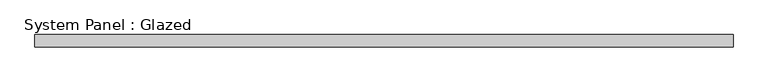
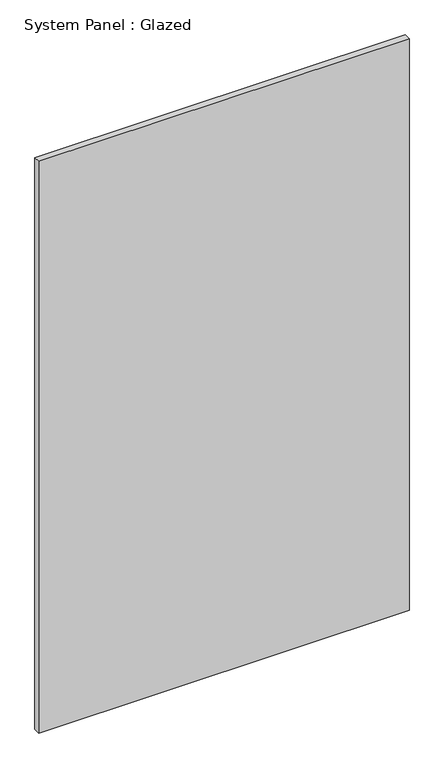
"""IFC4 building model written with IfcOpenShell, lengths in millimetres: plate geometry, System Panel : Glazed."""

import ifcopenshell
import ifcopenshell.guid

model = None  # the IFC model being written
_history = None  # IfcOwnerHistory: only IFC2X3 demands one
_inside = {}  # id of a spatial element -> (the spatial element, [elements in it])
_under = {}  # id of a project, library or spatial element -> (it, [spatial elements below it])
_declared = {}  # id of a project -> (the project, [libraries it declares])
_typed = {}  # id of a type object -> (the type object, [elements of that type])
_made_of = {}  # id of a material, layer set ... -> (it, [elements and type objects made of it])


def new_model(schema):
    """Start an empty IFC model of exactly this schema.

    Asked for "IFC4X3", IfcOpenShell would pick the latest addendum, in which some entities
    have other attributes; the version numbers below select the first issue.
    IFC2X3 requires an IfcOwnerHistory on every rooted entity: one is made here for all.
    """
    global model, _history
    if schema == "IFC4X3":
        model = ifcopenshell.file(schema_version=(4, 3, 0, 0))
    else:
        model = ifcopenshell.file(schema=schema)
    _inside.clear()
    _under.clear()
    _declared.clear()
    _typed.clear()
    _made_of.clear()
    _history = None
    if model.schema == "IFC2X3":
        org = make("IfcOrganization", Name="unknown")
        user = make(
            "IfcPersonAndOrganization",
            ThePerson=make("IfcPerson", FamilyName="unknown"),
            TheOrganization=org,
        )
        app = make(
            "IfcApplication",
            ApplicationDeveloper=org,
            Version="unknown",
            ApplicationFullName="unknown",
            ApplicationIdentifier="unknown",
        )
        _history = make(
            "IfcOwnerHistory",
            OwningUser=user,
            OwningApplication=app,
            ChangeAction="ADDED",
            CreationDate=0,
        )
    return model


def make(cls, **values):
    """One entity of the class cls with the attributes given. An attribute that is None is left unset."""
    return model.create_entity(
        cls, **{name: value for name, value in values.items() if value is not None}
    )


def rooted(cls, **values):
    """An entity with a GlobalId (a new one), such as an element, a storey or a relation."""
    return make(cls, GlobalId=ifcopenshell.guid.new(), OwnerHistory=_history, **values)


def si_unit(unit_type, name, prefix=None):
    """IfcSIUnit, for example si_unit("LENGTHUNIT", "METRE", prefix="MILLI")."""
    return make("IfcSIUnit", UnitType=unit_type, Prefix=prefix, Name=name)


def assignment(units):
    """IfcUnitAssignment: the units of a project."""
    return None if units is None else make("IfcUnitAssignment", Units=units)


def point(xyz):
    """IfcCartesianPoint."""
    return None if xyz is None else make("IfcCartesianPoint", Coordinates=xyz)


def direction(xyz):
    """IfcDirection."""
    return None if xyz is None else make("IfcDirection", DirectionRatios=xyz)


def frame(location, z_axis=None, x_axis=None):
    """IfcAxis2Placement3D, a coordinate frame: its origin and axes. An axis left out is left unset."""
    return make(
        "IfcAxis2Placement3D",
        Location=point(location),
        Axis=direction(z_axis),
        RefDirection=direction(x_axis),
    )


def origin():
    """The frame at (0, 0, 0) with its axes left unset."""
    return frame((0.0, 0.0, 0.0))


def origin_with_axes():
    """The frame at (0, 0, 0) with the z axis (0, 0, 1) and the x axis (1, 0, 0) written out."""
    return frame((0.0, 0.0, 0.0), z_axis=(0.0, 0.0, 1.0), x_axis=(1.0, 0.0, 0.0))


def place(relative_to, where):
    """IfcLocalPlacement: puts the frame where relative to a parent placement (None: the world)."""
    return make(
        "IfcLocalPlacement", PlacementRelTo=relative_to, RelativePlacement=where
    )


def context(
    kind, dimensions, precision=None, world=None, true_north=None, identifier=None
):
    """IfcGeometricRepresentationContext, for example the 3D "Model" context."""
    return make(
        "IfcGeometricRepresentationContext",
        ContextIdentifier=identifier,
        ContextType=kind,
        CoordinateSpaceDimension=dimensions,
        Precision=precision,
        WorldCoordinateSystem=world,
        TrueNorth=true_north,
    )


def project(units=None, contexts=None):
    """IfcProject with its units and contexts."""
    return rooted(
        "IfcProject",
        Name="project",
        RepresentationContexts=contexts,
        UnitsInContext=assignment(units),
    )


def spatial(cls, under=None, at=None, **own):
    """A site, building, storey or space (cls), placed at a placement, below another one or the project."""
    s = rooted(cls, ObjectPlacement=at, **own)
    if under is not None:
        _under.setdefault(under.id(), (under, []))[1].append(s)
    return s


def polyline(points):
    """IfcPolyline through the points."""
    return make("IfcPolyline", Points=[point(p) for p in points])


def outline(outer, holes=None, kind="AREA"):
    """IfcArbitraryClosedProfileDef: a profile drawn as a closed curve; with holes, ...WithVoids."""
    if holes is None:
        return make("IfcArbitraryClosedProfileDef", ProfileType=kind, OuterCurve=outer)
    return make(
        "IfcArbitraryProfileDefWithVoids",
        ProfileType=kind,
        OuterCurve=outer,
        InnerCurves=holes,
    )


def extrude(swept, where, along, depth):
    """IfcExtrudedAreaSolid: the profile swept, set in the frame where, extruded along a direction by depth."""
    return make(
        "IfcExtrudedAreaSolid",
        SweptArea=swept,
        Position=where,
        ExtrudedDirection=direction(along),
        Depth=depth,
    )


def shape(context_of_items, identifier, shape_type, items):
    """IfcShapeRepresentation: the items that make up one representation, for example the "Body"."""
    return make(
        "IfcShapeRepresentation",
        ContextOfItems=context_of_items,
        RepresentationIdentifier=identifier,
        RepresentationType=shape_type,
        Items=items,
    )


def source(mapping_origin, context_of_items, identifier, shape_type, items):
    """IfcRepresentationMap: a shape defined once, which mapped items show again and again."""
    return make(
        "IfcRepresentationMap",
        MappingOrigin=mapping_origin,
        MappedRepresentation=shape(context_of_items, identifier, shape_type, items),
    )


def transform(
    local_origin,
    x_axis=None,
    y_axis=None,
    z_axis=None,
    scale=None,
    scale2=None,
    scale3=None,
    uniform=True,
):
    """IfcCartesianTransformationOperator3D, or its non-uniform kind. x_axis, y_axis, z_axis: its Axis1, 2, 3."""
    if uniform:
        return make(
            "IfcCartesianTransformationOperator3D",
            Axis1=direction(x_axis),
            Axis2=direction(y_axis),
            LocalOrigin=point(local_origin),
            Scale=scale,
            Axis3=direction(z_axis),
        )
    return make(
        "IfcCartesianTransformationOperator3DnonUniform",
        Axis1=direction(x_axis),
        Axis2=direction(y_axis),
        LocalOrigin=point(local_origin),
        Scale=scale,
        Axis3=direction(z_axis),
        Scale2=scale2,
        Scale3=scale3,
    )


def mapped(mapping_source, mapping_target):
    """IfcMappedItem: shows the shape of a source again, moved by a transform."""
    return make(
        "IfcMappedItem", MappingSource=mapping_source, MappingTarget=mapping_target
    )


def made_of(thing, what):
    """Note that an element or type object is made of a material, layer set ...; save() writes the relation."""
    if what is not None:
        _made_of.setdefault(what.id(), (what, []))[1].append(thing)
    return thing


def element(
    cls,
    number,
    at=None,
    inside=None,
    cuts=None,
    type_object=None,
    material=None,
    context=None,
    identifier="Body",
    shape_type=None,
    held_by="IfcProductDefinitionShape",
    body=None,
    shapes=None,
    **own,
):
    """One element of the class cls, such as IfcWall. Its Tag is "e" and its number.

    at: its placement. inside: the storey or other place that contains it. cuts: it is an
    opening in that element (IfcRelVoidsElement). A single representation is given by context,
    identifier, shape_type and body (its items); several are given by shapes. held_by: the class
    of the entity that holds the representations. save() writes the other relations.
    """
    e = rooted(cls, Tag="e%d" % number, ObjectPlacement=at, **own)
    if body is not None:
        shapes = [shape(context, identifier, shape_type, body)]
    if shapes is not None:
        e.Representation = make(held_by, Representations=shapes)
    if inside is not None:
        _inside.setdefault(inside.id(), (inside, []))[1].append(e)
    if cuts is not None:
        rooted(
            "IfcRelVoidsElement", RelatingBuildingElement=cuts, RelatedOpeningElement=e
        )
    if type_object is not None:
        _typed.setdefault(type_object.id(), (type_object, []))[1].append(e)
    return made_of(e, material)


def aggregate(whole, parts):
    """IfcRelAggregates: a whole, such as a stair, and the parts it consists of."""
    return rooted("IfcRelAggregates", RelatingObject=whole, RelatedObjects=parts)


def save(model, path):
    """Write the relations noted so far, then the file.

    IfcRelAggregates (storeys below a building ...), IfcRelContainedInSpatialStructure (elements
    in a storey), IfcRelDefinesByType, IfcRelAssociatesMaterial and IfcRelDeclares: one each for
    every whole, place, type object, material and project.
    """
    for whole, parts in _under.values():
        aggregate(whole, parts)
    for where, things in _inside.values():
        rooted(
            "IfcRelContainedInSpatialStructure",
            RelatedElements=things,
            RelatingStructure=where,
        )
    for kind, things in _typed.values():
        rooted("IfcRelDefinesByType", RelatedObjects=things, RelatingType=kind)
    for what, things in _made_of.values():
        rooted("IfcRelAssociatesMaterial", RelatedObjects=things, RelatingMaterial=what)
    for by, libraries in _declared.values():
        rooted("IfcRelDeclares", RelatingContext=by, RelatedDefinitions=libraries)
    model.write(path)


def system_panel_glazed_233196d1(model_context):
    return source(origin(), model_context, "Body", "SweptSolid", [
        extrude(outline(polyline([(712.2903142, 24.5), (-712.2903142, 24.5), (-712.2903142, 49.5), (712.2903142, 49.5), (712.2903142, 24.5)])), origin_with_axes(), (0.0, 0.0, 1.0), 2325.0),
    ])


if __name__ == "__main__":
    model = new_model("IFC4")
    model_context = context("Model", 3, world=origin())
    ifc_project = project(units=[si_unit("LENGTHUNIT", "METRE", prefix="MILLI")], contexts=[model_context])
    site = spatial("IfcSite", under=ifc_project)
    building = spatial("IfcBuilding", under=site)
    placement = place(None, origin())
    system_panel_glazed_shape = system_panel_glazed_233196d1(model_context)
    element("IfcPlate", 1, ObjectType="System Panel : Glazed", at=placement, inside=building, context=model_context, shape_type="MappedRepresentation", body=[
        mapped(system_panel_glazed_shape, transform((0.0, 0.0, 0.0), x_axis=(1.0, 0.0, 0.0), y_axis=(0.0, 1.0, 0.0), z_axis=(0.0, 0.0, 1.0))),
    ])
    save(model, "model.ifc")
